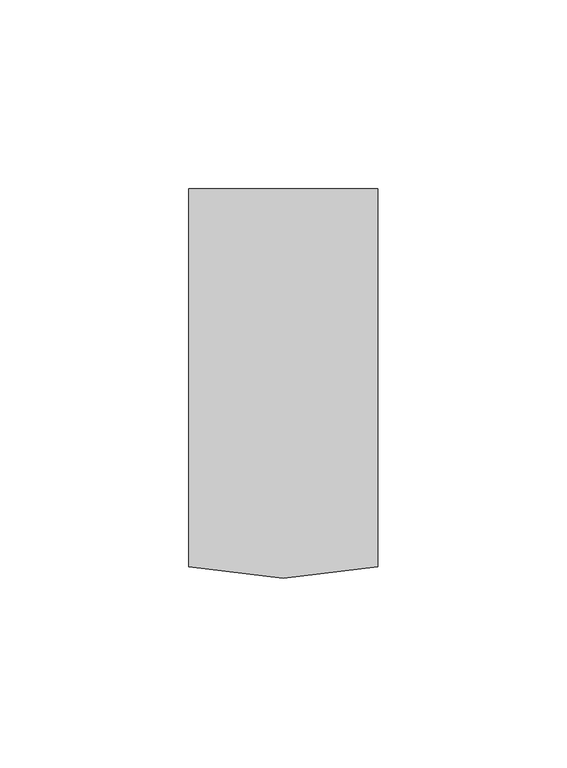
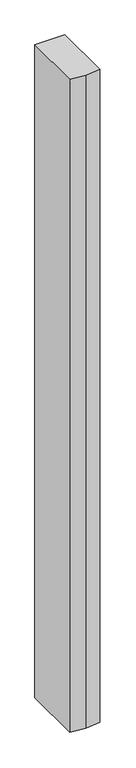
"""IFC4 building model written with IfcOpenShell, lengths in millimetres: member geometry."""

import ifcopenshell
import ifcopenshell.guid

model = None  # the IFC model being written
_history = None  # IfcOwnerHistory: only IFC2X3 demands one
_inside = {}  # id of a spatial element -> (the spatial element, [elements in it])
_under = {}  # id of a project, library or spatial element -> (it, [spatial elements below it])
_declared = {}  # id of a project -> (the project, [libraries it declares])
_typed = {}  # id of a type object -> (the type object, [elements of that type])
_made_of = {}  # id of a material, layer set ... -> (it, [elements and type objects made of it])


def new_model(schema):
    """Start an empty IFC model of exactly this schema.

    Asked for "IFC4X3", IfcOpenShell would pick the latest addendum, in which some entities
    have other attributes; the version numbers below select the first issue.
    IFC2X3 requires an IfcOwnerHistory on every rooted entity: one is made here for all.
    """
    global model, _history
    if schema == "IFC4X3":
        model = ifcopenshell.file(schema_version=(4, 3, 0, 0))
    else:
        model = ifcopenshell.file(schema=schema)
    _inside.clear()
    _under.clear()
    _declared.clear()
    _typed.clear()
    _made_of.clear()
    _history = None
    if model.schema == "IFC2X3":
        org = make("IfcOrganization", Name="unknown")
        user = make(
            "IfcPersonAndOrganization",
            ThePerson=make("IfcPerson", FamilyName="unknown"),
            TheOrganization=org,
        )
        app = make(
            "IfcApplication",
            ApplicationDeveloper=org,
            Version="unknown",
            ApplicationFullName="unknown",
            ApplicationIdentifier="unknown",
        )
        _history = make(
            "IfcOwnerHistory",
            OwningUser=user,
            OwningApplication=app,
            ChangeAction="ADDED",
            CreationDate=0,
        )
    return model


def make(cls, **values):
    """One entity of the class cls with the attributes given. An attribute that is None is left unset."""
    return model.create_entity(
        cls, **{name: value for name, value in values.items() if value is not None}
    )


def rooted(cls, **values):
    """An entity with a GlobalId (a new one), such as an element, a storey or a relation."""
    return make(cls, GlobalId=ifcopenshell.guid.new(), OwnerHistory=_history, **values)


def si_unit(unit_type, name, prefix=None):
    """IfcSIUnit, for example si_unit("LENGTHUNIT", "METRE", prefix="MILLI")."""
    return make("IfcSIUnit", UnitType=unit_type, Prefix=prefix, Name=name)


def assignment(units):
    """IfcUnitAssignment: the units of a project."""
    return None if units is None else make("IfcUnitAssignment", Units=units)


def point(xyz):
    """IfcCartesianPoint."""
    return None if xyz is None else make("IfcCartesianPoint", Coordinates=xyz)


def direction(xyz):
    """IfcDirection."""
    return None if xyz is None else make("IfcDirection", DirectionRatios=xyz)


def frame(location, z_axis=None, x_axis=None):
    """IfcAxis2Placement3D, a coordinate frame: its origin and axes. An axis left out is left unset."""
    return make(
        "IfcAxis2Placement3D",
        Location=point(location),
        Axis=direction(z_axis),
        RefDirection=direction(x_axis),
    )


def origin():
    """The frame at (0, 0, 0) with its axes left unset."""
    return frame((0.0, 0.0, 0.0))


def place(relative_to, where):
    """IfcLocalPlacement: puts the frame where relative to a parent placement (None: the world)."""
    return make(
        "IfcLocalPlacement", PlacementRelTo=relative_to, RelativePlacement=where
    )


def context(
    kind, dimensions, precision=None, world=None, true_north=None, identifier=None
):
    """IfcGeometricRepresentationContext, for example the 3D "Model" context."""
    return make(
        "IfcGeometricRepresentationContext",
        ContextIdentifier=identifier,
        ContextType=kind,
        CoordinateSpaceDimension=dimensions,
        Precision=precision,
        WorldCoordinateSystem=world,
        TrueNorth=true_north,
    )


def project(units=None, contexts=None):
    """IfcProject with its units and contexts."""
    return rooted(
        "IfcProject",
        Name="project",
        RepresentationContexts=contexts,
        UnitsInContext=assignment(units),
    )


def spatial(cls, under=None, at=None, **own):
    """A site, building, storey or space (cls), placed at a placement, below another one or the project."""
    s = rooted(cls, ObjectPlacement=at, **own)
    if under is not None:
        _under.setdefault(under.id(), (under, []))[1].append(s)
    return s


def polyline(points):
    """IfcPolyline through the points."""
    return make("IfcPolyline", Points=[point(p) for p in points])


def outline(outer, holes=None, kind="AREA"):
    """IfcArbitraryClosedProfileDef: a profile drawn as a closed curve; with holes, ...WithVoids."""
    if holes is None:
        return make("IfcArbitraryClosedProfileDef", ProfileType=kind, OuterCurve=outer)
    return make(
        "IfcArbitraryProfileDefWithVoids",
        ProfileType=kind,
        OuterCurve=outer,
        InnerCurves=holes,
    )


def extrude(swept, where, along, depth):
    """IfcExtrudedAreaSolid: the profile swept, set in the frame where, extruded along a direction by depth."""
    return make(
        "IfcExtrudedAreaSolid",
        SweptArea=swept,
        Position=where,
        ExtrudedDirection=direction(along),
        Depth=depth,
    )


def shape(context_of_items, identifier, shape_type, items):
    """IfcShapeRepresentation: the items that make up one representation, for example the "Body"."""
    return make(
        "IfcShapeRepresentation",
        ContextOfItems=context_of_items,
        RepresentationIdentifier=identifier,
        RepresentationType=shape_type,
        Items=items,
    )


def source(mapping_origin, context_of_items, identifier, shape_type, items):
    """IfcRepresentationMap: a shape defined once, which mapped items show again and again."""
    return make(
        "IfcRepresentationMap",
        MappingOrigin=mapping_origin,
        MappedRepresentation=shape(context_of_items, identifier, shape_type, items),
    )


def transform(
    local_origin,
    x_axis=None,
    y_axis=None,
    z_axis=None,
    scale=None,
    scale2=None,
    scale3=None,
    uniform=True,
):
    """IfcCartesianTransformationOperator3D, or its non-uniform kind. x_axis, y_axis, z_axis: its Axis1, 2, 3."""
    if uniform:
        return make(
            "IfcCartesianTransformationOperator3D",
            Axis1=direction(x_axis),
            Axis2=direction(y_axis),
            LocalOrigin=point(local_origin),
            Scale=scale,
            Axis3=direction(z_axis),
        )
    return make(
        "IfcCartesianTransformationOperator3DnonUniform",
        Axis1=direction(x_axis),
        Axis2=direction(y_axis),
        LocalOrigin=point(local_origin),
        Scale=scale,
        Axis3=direction(z_axis),
        Scale2=scale2,
        Scale3=scale3,
    )


def mapped(mapping_source, mapping_target):
    """IfcMappedItem: shows the shape of a source again, moved by a transform."""
    return make(
        "IfcMappedItem", MappingSource=mapping_source, MappingTarget=mapping_target
    )


def made_of(thing, what):
    """Note that an element or type object is made of a material, layer set ...; save() writes the relation."""
    if what is not None:
        _made_of.setdefault(what.id(), (what, []))[1].append(thing)
    return thing


def element(
    cls,
    number,
    at=None,
    inside=None,
    cuts=None,
    type_object=None,
    material=None,
    context=None,
    identifier="Body",
    shape_type=None,
    held_by="IfcProductDefinitionShape",
    body=None,
    shapes=None,
    **own,
):
    """One element of the class cls, such as IfcWall. Its Tag is "e" and its number.

    at: its placement. inside: the storey or other place that contains it. cuts: it is an
    opening in that element (IfcRelVoidsElement). A single representation is given by context,
    identifier, shape_type and body (its items); several are given by shapes. held_by: the class
    of the entity that holds the representations. save() writes the other relations.
    """
    e = rooted(cls, Tag="e%d" % number, ObjectPlacement=at, **own)
    if body is not None:
        shapes = [shape(context, identifier, shape_type, body)]
    if shapes is not None:
        e.Representation = make(held_by, Representations=shapes)
    if inside is not None:
        _inside.setdefault(inside.id(), (inside, []))[1].append(e)
    if cuts is not None:
        rooted(
            "IfcRelVoidsElement", RelatingBuildingElement=cuts, RelatedOpeningElement=e
        )
    if type_object is not None:
        _typed.setdefault(type_object.id(), (type_object, []))[1].append(e)
    return made_of(e, material)


def aggregate(whole, parts):
    """IfcRelAggregates: a whole, such as a stair, and the parts it consists of."""
    return rooted("IfcRelAggregates", RelatingObject=whole, RelatedObjects=parts)


def save(model, path):
    """Write the relations noted so far, then the file.

    IfcRelAggregates (storeys below a building ...), IfcRelContainedInSpatialStructure (elements
    in a storey), IfcRelDefinesByType, IfcRelAssociatesMaterial and IfcRelDeclares: one each for
    every whole, place, type object, material and project.
    """
    for whole, parts in _under.values():
        aggregate(whole, parts)
    for where, things in _inside.values():
        rooted(
            "IfcRelContainedInSpatialStructure",
            RelatedElements=things,
            RelatingStructure=where,
        )
    for kind, things in _typed.values():
        rooted("IfcRelDefinesByType", RelatedObjects=things, RelatingType=kind)
    for what, things in _made_of.values():
        rooted("IfcRelAssociatesMaterial", RelatedObjects=things, RelatingMaterial=what)
    for by, libraries in _declared.values():
        rooted("IfcRelDeclares", RelatingContext=by, RelatedDefinitions=libraries)
    model.write(path)


def member_5afcf83c(model_context):
    return source(origin(), model_context, "Body", "SweptSolid", [
        extrude(outline(polyline([(-50.0, -3.0), (-50.0, 97.0), (0.0, 97.0), (0.0, -3.0), (-25.0, -6.0), (-50.0, -3.0)])), frame((0.0, 0.0, -1150.0000003), z_axis=(0.0, 0.0, 1.0), x_axis=(1.0, 0.0, 0.0)), (0.0, 0.0, 1.0), 1150.0000003),
    ])


if __name__ == "__main__":
    model = new_model("IFC4")
    model_context = context("Model", 3, world=origin())
    ifc_project = project(units=[si_unit("LENGTHUNIT", "METRE", prefix="MILLI")], contexts=[model_context])
    site = spatial("IfcSite", under=ifc_project)
    building = spatial("IfcBuilding", under=site)
    placement = place(None, origin())
    member_shape = member_5afcf83c(model_context)
    element("IfcMember", 1, at=placement, inside=building, context=model_context, shape_type="MappedRepresentation", body=[
        mapped(member_shape, transform((0.0, 0.0, 0.0), x_axis=(1.0, 0.0, 0.0), y_axis=(0.0, 1.0, 0.0), z_axis=(0.0, 0.0, 1.0))),
    ])
    save(model, "model.ifc")
